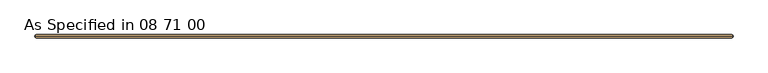
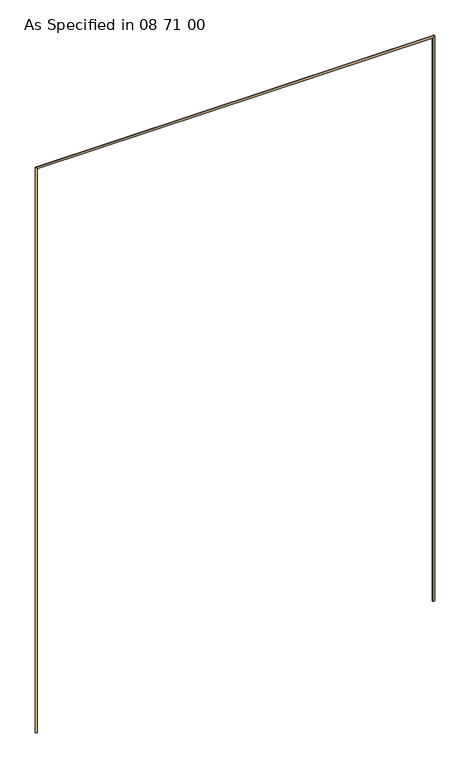
"""IFC4 building model written with IfcOpenShell, lengths in millimetres: door geometry, As Specified in 08 71 00."""

from ifc_helpers import new_model, si_unit, frame, origin, place, context, project, spatial, circle_curve, ellipse_curve, source, transform, mapped, element, save
from ifc_brep_helpers import plane_surface, cylinder_surface, advanced_brep


def as_specified_in_08_71_00_8bbc6191(model_context):
    return source(origin(), model_context, "Body", "AdvancedBrep", [
        advanced_brep(
        [(21031.0892185, -10841.3858114, 0.0), (21037.4392185, -10841.3858114, 0.0), (21037.4392185, -10841.3858114, 2025.65), (21031.0892185, -10841.3858114, 2032.0), (22388.2892185, -10841.3858114, 0.0), (22381.9392185, -10841.3858114, 0.0), (22388.2892185, -10841.3858114, 2032.0), (22381.9392185, -10841.3858114, 2025.65)],
        [
            (0, 1, circle_curve(frame((21034.2642185, -10841.3858114, 0.0), z_axis=(0.0, 0.0, -1.0), x_axis=(1.0, 0.0, 0.0)), 3.175)),
            (1, 0, circle_curve(frame((21034.2642185, -10841.3858114, 0.0), z_axis=(0.0, 0.0, -1.0), x_axis=(1.0, 0.0, 0.0)), 3.175)),
            (1, 2),
            (2, 3, ellipse_curve(frame((21034.2642185, -10841.3858114, 2028.825), z_axis=(-0.7071067811865475, 0.0, -0.7071067811865475), x_axis=(0.7071067811865474, 0.0, -0.7071067811865476)), 4.4901281, 3.175)),
            (3, 0),
            (3, 2, ellipse_curve(frame((21034.2642185, -10841.3858114, 2028.825), z_axis=(-0.7071067811865475, 0.0, -0.7071067811865475), x_axis=(0.7071067811865474, 0.0, -0.7071067811865476)), 4.4901281, 3.175)),
            (4, 5, circle_curve(frame((22385.1142185, -10841.3858114, 0.0), z_axis=(0.0, 0.0, -1.0), x_axis=(-1.0, 0.0, 0.0)), 3.175)),
            (5, 4, circle_curve(frame((22385.1142185, -10841.3858114, 0.0), z_axis=(0.0, 0.0, -1.0), x_axis=(-1.0, 0.0, 0.0)), 3.175)),
            (6, 4),
            (5, 7),
            (7, 6, ellipse_curve(frame((22385.1142185, -10841.3858114, 2028.825), z_axis=(0.7071067811865475, 0.0, -0.7071067811865475), x_axis=(0.7071067811865474, 0.0, 0.7071067811865476)), 4.4901281, 3.175)),
            (6, 7, ellipse_curve(frame((22385.1142185, -10841.3858114, 2028.825), z_axis=(0.7071067811865475, 0.0, -0.7071067811865475), x_axis=(0.7071067811865474, 0.0, 0.7071067811865476)), 4.4901281, 3.175)),
            (2, 7),
            (6, 3),
        ],
        [
            plane_surface(frame((21031.0892185, -10844.5608114, 0.0), z_axis=(0.0, 0.0, -1.0), x_axis=(0.0, -1.0, 0.0))),
            cylinder_surface(frame((21034.2642185, -10841.3858114, 0.0), z_axis=(0.0, 0.0, -1.0), x_axis=(1.0, 0.0, 0.0)), 3.175),
            plane_surface(frame((22388.2892185, -10844.5608114, 0.0), z_axis=(0.0, 0.0, -1.0), x_axis=(0.0, -1.0, 0.0))),
            cylinder_surface(frame((22385.1142185, -10841.3858114, 2032.0), z_axis=(0.0, 0.0, 1.0), x_axis=(-1.0, 0.0, 0.0)), 3.175),
            cylinder_surface(frame((21031.0892185, -10841.3858114, 2028.825), z_axis=(-1.0, 0.0, 0.0), x_axis=(0.0, 0.0, -1.0)), 3.175),
        ],
        [
            (0, [[1, 2]]),
            (1, [[3, 4, 5, -2]]),
            (1, [[-5, 6, -3, -1]]),
            (2, [[7, 8]]),
            (3, [[9, -8, 10, 11]]),
            (3, [[-10, -7, -9, 12]]),
            (4, [[13, -12, 14, -4]]),
            (4, [[-14, -11, -13, -6]]),
        ],
    ),
    ])


if __name__ == "__main__":
    model = new_model("IFC4")
    model_context = context("Model", 3, world=origin())
    ifc_project = project(units=[si_unit("LENGTHUNIT", "METRE", prefix="MILLI")], contexts=[model_context])
    site = spatial("IfcSite", under=ifc_project)
    building = spatial("IfcBuilding", under=site)
    placement = place(None, origin())
    as_specified_in_08_71_00_shape = as_specified_in_08_71_00_8bbc6191(model_context)
    element("IfcDoor", 1, ObjectType="As Specified in 08 71 00", at=placement, inside=building, context=model_context, shape_type="MappedRepresentation", body=[
        mapped(as_specified_in_08_71_00_shape, transform((0.0, 0.0, 0.0), x_axis=(1.0, 0.0, 0.0), y_axis=(0.0, 1.0, 0.0), z_axis=(0.0, 0.0, 1.0))),
    ])
    save(model, "model.ifc")
